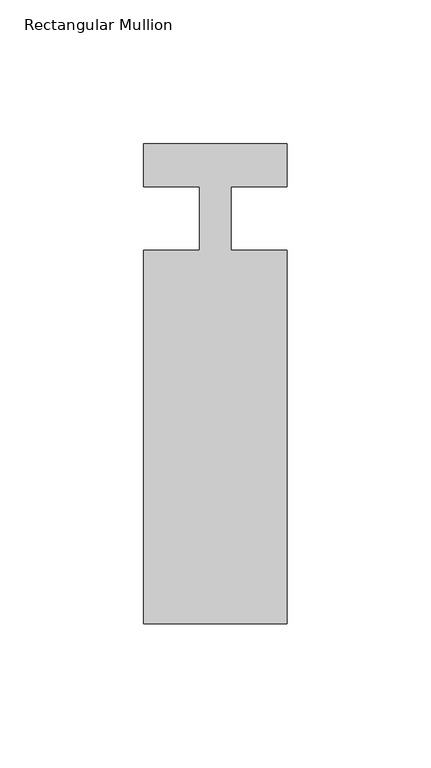
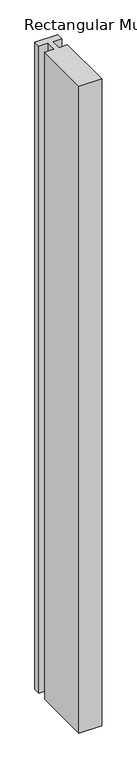
"""IFC4 building model written with IfcOpenShell, lengths in millimetres: member geometry, Rectangular Mullion."""

from ifc_helpers import new_model, si_unit, frame, origin, place, context, project, spatial, polyline, outline, extrude, source, transform, mapped, element, save


def rectangular_mullion_b9ae221c(model_context):
    return source(origin(), model_context, "Body", "SweptSolid", [
        extrude(outline(polyline([(-50.0, -141.0), (-50.0, -11.0), (-30.5, -11.0), (-30.5, 11.0), (-50.0, 11.0), (-50.0, 26.0), (0.0, 26.0), (0.0, 11.0), (-19.5000002, 11.0), (-19.5000002, -11.0), (0.0, -11.0), (0.0, -141.0), (-50.0, -141.0)])), frame((0.0, 0.0, -1500.0), z_axis=(0.0, 0.0, 1.0), x_axis=(1.0, 0.0, 0.0)), (0.0, 0.0, 1.0), 1500.0),
    ])


if __name__ == "__main__":
    model = new_model("IFC4")
    model_context = context("Model", 3, world=origin())
    ifc_project = project(units=[si_unit("LENGTHUNIT", "METRE", prefix="MILLI")], contexts=[model_context])
    site = spatial("IfcSite", under=ifc_project)
    building = spatial("IfcBuilding", under=site)
    placement = place(None, origin())
    rectangular_mullion_shape = rectangular_mullion_b9ae221c(model_context)
    element("IfcMember", 1, ObjectType="Rectangular Mullion", at=placement, inside=building, context=model_context, shape_type="MappedRepresentation", body=[
        mapped(rectangular_mullion_shape, transform((0.0, 0.0, 0.0), x_axis=(1.0, 0.0, 0.0), y_axis=(0.0, 1.0, 0.0), z_axis=(0.0, 0.0, 1.0))),
    ])
    save(model, "model.ifc")
